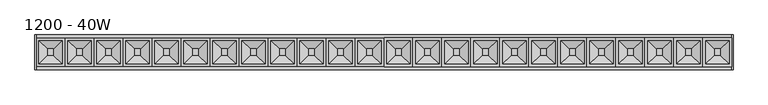
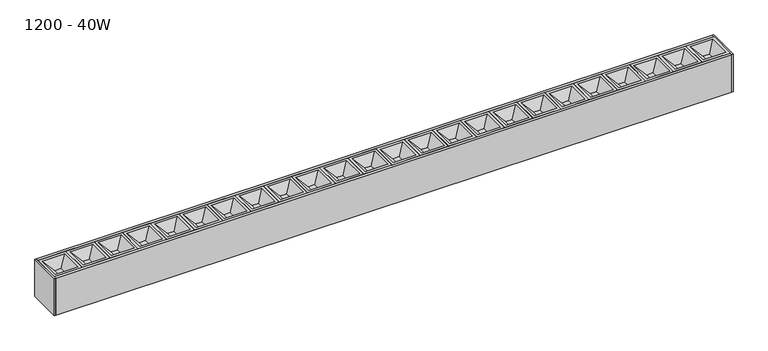
"""IFC4 building model written with IfcOpenShell, lengths in millimetres: light fixture geometry, 1200 - 40W."""

from ifc_helpers import new_model, si_unit, frame, origin, origin_with_axes, place, context, project, spatial, polyline, outline, extrude, faceted_brep, source, transform, mapped, element, save


def light_fixture_1200_40w_1fc2dcb1(model_context):
    return source(origin(), model_context, "Body", "SolidModel", [
        faceted_brep([(600.0, 25.0, 50.0), (600.0, 25.0, 70.0), (600.0, -25.0, 70.0), (600.0, -25.0, 50.0), (595.0, 20.0, 70.0), (580.8578644, 5.8578644, 55.8578644), (580.8578644, -5.8578644, 55.8578644), (595.0, -20.0, 70.0), (550.0, -25.0, 70.0), (550.0, -25.0, 50.0), (569.1421356, -5.8578644, 55.8578644), (555.0, -20.0, 70.0), (550.0, 25.0, 70.0), (550.0, 25.0, 50.0), (569.1421356, 5.8578644, 55.8578644), (555.0, 20.0, 70.0)], [[[0, 1, 2, 3]], [[4, 5, 6, 7]], [[3, 2, 8, 9]], [[7, 6, 10, 11]], [[9, 8, 12, 13]], [[11, 10, 14, 15]], [[1, 12, 8, 2], [7, 11, 15, 4]], [[13, 12, 1, 0]], [[3, 9, 13, 0]], [[5, 14, 10, 6]], [[15, 14, 5, 4]]]),
        faceted_brep([(550.0, 25.0, 50.0), (550.0, 25.0, 70.0), (550.0, -25.0, 70.0), (550.0, -25.0, 50.0), (545.0, 20.0, 70.0), (530.8578644, 5.8578644, 55.8578644), (530.8578644, -5.8578644, 55.8578644), (545.0, -20.0, 70.0), (500.0, -25.0, 70.0), (500.0, -25.0, 50.0), (519.1421356, -5.8578644, 55.8578644), (505.0, -20.0, 70.0), (500.0, 25.0, 70.0), (500.0, 25.0, 50.0), (519.1421356, 5.8578644, 55.8578644), (505.0, 20.0, 70.0)], [[[0, 1, 2, 3]], [[4, 5, 6, 7]], [[3, 2, 8, 9]], [[7, 6, 10, 11]], [[9, 8, 12, 13]], [[11, 10, 14, 15]], [[1, 12, 8, 2], [7, 11, 15, 4]], [[13, 12, 1, 0]], [[3, 9, 13, 0]], [[5, 14, 10, 6]], [[15, 14, 5, 4]]]),
        faceted_brep([(500.0, 25.0, 50.0), (500.0, 25.0, 70.0), (500.0, -25.0, 70.0), (500.0, -25.0, 50.0), (495.0, 20.0, 70.0), (480.8578644, 5.8578644, 55.8578644), (480.8578644, -5.8578644, 55.8578644), (495.0, -20.0, 70.0), (450.0, -25.0, 70.0), (450.0, -25.0, 50.0), (469.1421356, -5.8578644, 55.8578644), (455.0, -20.0, 70.0), (450.0, 25.0, 70.0), (450.0, 25.0, 50.0), (469.1421356, 5.8578644, 55.8578644), (455.0, 20.0, 70.0)], [[[0, 1, 2, 3]], [[4, 5, 6, 7]], [[3, 2, 8, 9]], [[7, 6, 10, 11]], [[9, 8, 12, 13]], [[11, 10, 14, 15]], [[1, 12, 8, 2], [7, 11, 15, 4]], [[13, 12, 1, 0]], [[3, 9, 13, 0]], [[5, 14, 10, 6]], [[15, 14, 5, 4]]]),
        faceted_brep([(450.0, 25.0, 50.0), (450.0, 25.0, 70.0), (450.0, -25.0, 70.0), (450.0, -25.0, 50.0), (445.0, 20.0, 70.0), (430.8578644, 5.8578644, 55.8578644), (430.8578644, -5.8578644, 55.8578644), (445.0, -20.0, 70.0), (400.0, -25.0, 70.0), (400.0, -25.0, 50.0), (419.1421356, -5.8578644, 55.8578644), (405.0, -20.0, 70.0), (400.0, 25.0, 70.0), (400.0, 25.0, 50.0), (419.1421356, 5.8578644, 55.8578644), (405.0, 20.0, 70.0)], [[[0, 1, 2, 3]], [[4, 5, 6, 7]], [[3, 2, 8, 9]], [[7, 6, 10, 11]], [[9, 8, 12, 13]], [[11, 10, 14, 15]], [[1, 12, 8, 2], [7, 11, 15, 4]], [[13, 12, 1, 0]], [[3, 9, 13, 0]], [[5, 14, 10, 6]], [[15, 14, 5, 4]]]),
        faceted_brep([(400.0, 25.0, 50.0), (400.0, 25.0, 70.0), (400.0, -25.0, 70.0), (400.0, -25.0, 50.0), (395.0, 20.0, 70.0), (380.8578644, 5.8578644, 55.8578644), (380.8578644, -5.8578644, 55.8578644), (395.0, -20.0, 70.0), (350.0, -25.0, 70.0), (350.0, -25.0, 50.0), (369.1421356, -5.8578644, 55.8578644), (355.0, -20.0, 70.0), (350.0, 25.0, 70.0), (350.0, 25.0, 50.0), (369.1421356, 5.8578644, 55.8578644), (355.0, 20.0, 70.0)], [[[0, 1, 2, 3]], [[4, 5, 6, 7]], [[3, 2, 8, 9]], [[7, 6, 10, 11]], [[9, 8, 12, 13]], [[11, 10, 14, 15]], [[1, 12, 8, 2], [7, 11, 15, 4]], [[13, 12, 1, 0]], [[3, 9, 13, 0]], [[5, 14, 10, 6]], [[15, 14, 5, 4]]]),
        faceted_brep([(350.0, 25.0, 50.0), (350.0, 25.0, 70.0), (350.0, -25.0, 70.0), (350.0, -25.0, 50.0), (345.0, 20.0, 70.0), (330.8578644, 5.8578644, 55.8578644), (330.8578644, -5.8578644, 55.8578644), (345.0, -20.0, 70.0), (300.0, -25.0, 70.0), (300.0, -25.0, 50.0), (319.1421356, -5.8578644, 55.8578644), (305.0, -20.0, 70.0), (300.0, 25.0, 70.0), (300.0, 25.0, 50.0), (319.1421356, 5.8578644, 55.8578644), (305.0, 20.0, 70.0)], [[[0, 1, 2, 3]], [[4, 5, 6, 7]], [[3, 2, 8, 9]], [[7, 6, 10, 11]], [[9, 8, 12, 13]], [[11, 10, 14, 15]], [[1, 12, 8, 2], [7, 11, 15, 4]], [[13, 12, 1, 0]], [[3, 9, 13, 0]], [[5, 14, 10, 6]], [[15, 14, 5, 4]]]),
        faceted_brep([(300.0, 25.0, 50.0), (300.0, 25.0, 70.0), (300.0, -25.0, 70.0), (300.0, -25.0, 50.0), (295.0, 20.0, 70.0), (280.8578644, 5.8578644, 55.8578644), (280.8578644, -5.8578644, 55.8578644), (295.0, -20.0, 70.0), (250.0, -25.0, 70.0), (250.0, -25.0, 50.0), (269.1421356, -5.8578644, 55.8578644), (255.0, -20.0, 70.0), (250.0, 25.0, 70.0), (250.0, 25.0, 50.0), (269.1421356, 5.8578644, 55.8578644), (255.0, 20.0, 70.0)], [[[0, 1, 2, 3]], [[4, 5, 6, 7]], [[3, 2, 8, 9]], [[7, 6, 10, 11]], [[9, 8, 12, 13]], [[11, 10, 14, 15]], [[1, 12, 8, 2], [7, 11, 15, 4]], [[13, 12, 1, 0]], [[3, 9, 13, 0]], [[5, 14, 10, 6]], [[15, 14, 5, 4]]]),
        faceted_brep([(250.0, 25.0, 50.0), (250.0, 25.0, 70.0), (250.0, -25.0, 70.0), (250.0, -25.0, 50.0), (245.0, 20.0, 70.0), (230.8578644, 5.8578644, 55.8578644), (230.8578644, -5.8578644, 55.8578644), (245.0, -20.0, 70.0), (200.0, -25.0, 70.0), (200.0, -25.0, 50.0), (219.1421356, -5.8578644, 55.8578644), (205.0, -20.0, 70.0), (200.0, 25.0, 70.0), (200.0, 25.0, 50.0), (219.1421356, 5.8578644, 55.8578644), (205.0, 20.0, 70.0)], [[[0, 1, 2, 3]], [[4, 5, 6, 7]], [[3, 2, 8, 9]], [[7, 6, 10, 11]], [[9, 8, 12, 13]], [[11, 10, 14, 15]], [[1, 12, 8, 2], [7, 11, 15, 4]], [[13, 12, 1, 0]], [[3, 9, 13, 0]], [[5, 14, 10, 6]], [[15, 14, 5, 4]]]),
        faceted_brep([(200.0, 25.0, 50.0), (200.0, 25.0, 70.0), (200.0, -25.0, 70.0), (200.0, -25.0, 50.0), (195.0, 20.0, 70.0), (180.8578644, 5.8578644, 55.8578644), (180.8578644, -5.8578644, 55.8578644), (195.0, -20.0, 70.0), (150.0, -25.0, 70.0), (150.0, -25.0, 50.0), (169.1421356, -5.8578644, 55.8578644), (155.0, -20.0, 70.0), (150.0, 25.0, 70.0), (150.0, 25.0, 50.0), (169.1421356, 5.8578644, 55.8578644), (155.0, 20.0, 70.0)], [[[0, 1, 2, 3]], [[4, 5, 6, 7]], [[3, 2, 8, 9]], [[7, 6, 10, 11]], [[9, 8, 12, 13]], [[11, 10, 14, 15]], [[1, 12, 8, 2], [7, 11, 15, 4]], [[13, 12, 1, 0]], [[3, 9, 13, 0]], [[5, 14, 10, 6]], [[15, 14, 5, 4]]]),
        faceted_brep([(150.0, 25.0, 50.0), (150.0, 25.0, 70.0), (150.0, -25.0, 70.0), (150.0, -25.0, 50.0), (145.0, 20.0, 70.0), (130.8578644, 5.8578644, 55.8578644), (130.8578644, -5.8578644, 55.8578644), (145.0, -20.0, 70.0), (100.0, -25.0, 70.0), (100.0, -25.0, 50.0), (119.1421356, -5.8578644, 55.8578644), (105.0, -20.0, 70.0), (100.0, 25.0, 70.0), (100.0, 25.0, 50.0), (119.1421356, 5.8578644, 55.8578644), (105.0, 20.0, 70.0)], [[[0, 1, 2, 3]], [[4, 5, 6, 7]], [[3, 2, 8, 9]], [[7, 6, 10, 11]], [[9, 8, 12, 13]], [[11, 10, 14, 15]], [[1, 12, 8, 2], [7, 11, 15, 4]], [[13, 12, 1, 0]], [[3, 9, 13, 0]], [[5, 14, 10, 6]], [[15, 14, 5, 4]]]),
        faceted_brep([(100.0, 25.0, 50.0), (100.0, 25.0, 70.0), (100.0, -25.0, 70.0), (100.0, -25.0, 50.0), (95.0, 20.0, 70.0), (80.8578644, 5.8578644, 55.8578644), (80.8578644, -5.8578644, 55.8578644), (95.0, -20.0, 70.0), (50.0, -25.0, 70.0), (50.0, -25.0, 50.0), (69.1421356, -5.8578644, 55.8578644), (55.0, -20.0, 70.0), (50.0, 25.0, 70.0), (50.0, 25.0, 50.0), (69.1421356, 5.8578644, 55.8578644), (55.0, 20.0, 70.0)], [[[0, 1, 2, 3]], [[4, 5, 6, 7]], [[3, 2, 8, 9]], [[7, 6, 10, 11]], [[9, 8, 12, 13]], [[11, 10, 14, 15]], [[1, 12, 8, 2], [7, 11, 15, 4]], [[13, 12, 1, 0]], [[3, 9, 13, 0]], [[5, 14, 10, 6]], [[15, 14, 5, 4]]]),
        faceted_brep([(50.0, 25.0, 50.0), (50.0, 25.0, 70.0), (50.0, -25.0, 70.0), (50.0, -25.0, 50.0), (45.0, 20.0, 70.0), (30.8578644, 5.8578644, 55.8578644), (30.8578644, -5.8578644, 55.8578644), (45.0, -20.0, 70.0), (0.0, -25.0, 70.0), (0.0, -25.0, 50.0), (19.1421356, -5.8578644, 55.8578644), (5.0, -20.0, 70.0), (0.0, 25.0, 70.0), (0.0, 25.0, 50.0), (19.1421356, 5.8578644, 55.8578644), (5.0, 20.0, 70.0)], [[[0, 1, 2, 3]], [[4, 5, 6, 7]], [[3, 2, 8, 9]], [[7, 6, 10, 11]], [[9, 8, 12, 13]], [[11, 10, 14, 15]], [[1, 12, 8, 2], [7, 11, 15, 4]], [[13, 12, 1, 0]], [[3, 9, 13, 0]], [[5, 14, 10, 6]], [[15, 14, 5, 4]]]),
        extrude(outline(polyline([(600.0, -30.0), (600.0, 30.0), (602.0, 30.0), (602.0, -30.0), (600.0, -30.0)])), origin_with_axes(), (0.0, 0.0, 1.0), 70.0),
        extrude(outline(polyline([(-600.0, 30.0), (-600.0, -30.0), (-602.0, -30.0), (-602.0, 30.0), (-600.0, 30.0)])), origin_with_axes(), (0.0, 0.0, 1.0), 70.0),
        extrude(outline(polyline([(-25.0, 70.0), (-25.0, 50.0), (25.0, 50.0), (25.0, 70.0), (30.0, 70.0), (30.0, 0.0), (-30.0, 0.0), (-30.0, 70.0), (-25.0, 70.0)])), frame((-600.0, 0.0, 0.0), z_axis=(1.0, 0.0, 0.0), x_axis=(0.0, 1.0, 0.0)), (0.0, 0.0, 1.0), 1200.0),
        faceted_brep([(0.0, 25.0, 50.0), (0.0, 25.0, 70.0), (0.0, -25.0, 70.0), (0.0, -25.0, 50.0), (-5.0, 20.0, 70.0), (-19.1421356, 5.8578644, 55.8578644), (-19.1421356, -5.8578644, 55.8578644), (-5.0, -20.0, 70.0), (-50.0, -25.0, 70.0), (-50.0, -25.0, 50.0), (-30.8578644, -5.8578644, 55.8578644), (-45.0, -20.0, 70.0), (-50.0, 25.0, 70.0), (-50.0, 25.0, 50.0), (-30.8578644, 5.8578644, 55.8578644), (-45.0, 20.0, 70.0)], [[[0, 1, 2, 3]], [[4, 5, 6, 7]], [[3, 2, 8, 9]], [[7, 6, 10, 11]], [[9, 8, 12, 13]], [[11, 10, 14, 15]], [[1, 12, 8, 2], [7, 11, 15, 4]], [[13, 12, 1, 0]], [[3, 9, 13, 0]], [[5, 14, 10, 6]], [[15, 14, 5, 4]]]),
        faceted_brep([(-50.0, 25.0, 50.0), (-50.0, 25.0, 70.0), (-50.0, -25.0, 70.0), (-50.0, -25.0, 50.0), (-55.0, 20.0, 70.0), (-69.1421356, 5.8578644, 55.8578644), (-69.1421356, -5.8578644, 55.8578644), (-55.0, -20.0, 70.0), (-100.0, -25.0, 70.0), (-100.0, -25.0, 50.0), (-80.8578644, -5.8578644, 55.8578644), (-95.0, -20.0, 70.0), (-100.0, 25.0, 70.0), (-100.0, 25.0, 50.0), (-80.8578644, 5.8578644, 55.8578644), (-95.0, 20.0, 70.0)], [[[0, 1, 2, 3]], [[4, 5, 6, 7]], [[3, 2, 8, 9]], [[7, 6, 10, 11]], [[9, 8, 12, 13]], [[11, 10, 14, 15]], [[1, 12, 8, 2], [7, 11, 15, 4]], [[13, 12, 1, 0]], [[3, 9, 13, 0]], [[5, 14, 10, 6]], [[15, 14, 5, 4]]]),
        faceted_brep([(-100.0, 25.0, 50.0), (-100.0, 25.0, 70.0), (-100.0, -25.0, 70.0), (-100.0, -25.0, 50.0), (-105.0, 20.0, 70.0), (-119.1421356, 5.8578644, 55.8578644), (-119.1421356, -5.8578644, 55.8578644), (-105.0, -20.0, 70.0), (-150.0, -25.0, 70.0), (-150.0, -25.0, 50.0), (-130.8578644, -5.8578644, 55.8578644), (-145.0, -20.0, 70.0), (-150.0, 25.0, 70.0), (-150.0, 25.0, 50.0), (-130.8578644, 5.8578644, 55.8578644), (-145.0, 20.0, 70.0)], [[[0, 1, 2, 3]], [[4, 5, 6, 7]], [[3, 2, 8, 9]], [[7, 6, 10, 11]], [[9, 8, 12, 13]], [[11, 10, 14, 15]], [[1, 12, 8, 2], [7, 11, 15, 4]], [[13, 12, 1, 0]], [[3, 9, 13, 0]], [[5, 14, 10, 6]], [[15, 14, 5, 4]]]),
        faceted_brep([(-150.0, 25.0, 50.0), (-150.0, 25.0, 70.0), (-150.0, -25.0, 70.0), (-150.0, -25.0, 50.0), (-155.0, 20.0, 70.0), (-169.1421356, 5.8578644, 55.8578644), (-169.1421356, -5.8578644, 55.8578644), (-155.0, -20.0, 70.0), (-200.0, -25.0, 70.0), (-200.0, -25.0, 50.0), (-180.8578644, -5.8578644, 55.8578644), (-195.0, -20.0, 70.0), (-200.0, 25.0, 70.0), (-200.0, 25.0, 50.0), (-180.8578644, 5.8578644, 55.8578644), (-195.0, 20.0, 70.0)], [[[0, 1, 2, 3]], [[4, 5, 6, 7]], [[3, 2, 8, 9]], [[7, 6, 10, 11]], [[9, 8, 12, 13]], [[11, 10, 14, 15]], [[1, 12, 8, 2], [7, 11, 15, 4]], [[13, 12, 1, 0]], [[3, 9, 13, 0]], [[5, 14, 10, 6]], [[15, 14, 5, 4]]]),
        faceted_brep([(-200.0, 25.0, 50.0), (-200.0, 25.0, 70.0), (-200.0, -25.0, 70.0), (-200.0, -25.0, 50.0), (-205.0, 20.0, 70.0), (-219.1421356, 5.8578644, 55.8578644), (-219.1421356, -5.8578644, 55.8578644), (-205.0, -20.0, 70.0), (-250.0, -25.0, 70.0), (-250.0, -25.0, 50.0), (-230.8578644, -5.8578644, 55.8578644), (-245.0, -20.0, 70.0), (-250.0, 25.0, 70.0), (-250.0, 25.0, 50.0), (-230.8578644, 5.8578644, 55.8578644), (-245.0, 20.0, 70.0)], [[[0, 1, 2, 3]], [[4, 5, 6, 7]], [[3, 2, 8, 9]], [[7, 6, 10, 11]], [[9, 8, 12, 13]], [[11, 10, 14, 15]], [[1, 12, 8, 2], [7, 11, 15, 4]], [[13, 12, 1, 0]], [[3, 9, 13, 0]], [[5, 14, 10, 6]], [[15, 14, 5, 4]]]),
        faceted_brep([(-250.0, 25.0, 50.0), (-250.0, 25.0, 70.0), (-250.0, -25.0, 70.0), (-250.0, -25.0, 50.0), (-255.0, 20.0, 70.0), (-269.1421356, 5.8578644, 55.8578644), (-269.1421356, -5.8578644, 55.8578644), (-255.0, -20.0, 70.0), (-300.0, -25.0, 70.0), (-300.0, -25.0, 50.0), (-280.8578644, -5.8578644, 55.8578644), (-295.0, -20.0, 70.0), (-300.0, 25.0, 70.0), (-300.0, 25.0, 50.0), (-280.8578644, 5.8578644, 55.8578644), (-295.0, 20.0, 70.0)], [[[0, 1, 2, 3]], [[4, 5, 6, 7]], [[3, 2, 8, 9]], [[7, 6, 10, 11]], [[9, 8, 12, 13]], [[11, 10, 14, 15]], [[1, 12, 8, 2], [7, 11, 15, 4]], [[13, 12, 1, 0]], [[3, 9, 13, 0]], [[5, 14, 10, 6]], [[15, 14, 5, 4]]]),
        faceted_brep([(-300.0, 25.0, 50.0), (-300.0, 25.0, 70.0), (-300.0, -25.0, 70.0), (-300.0, -25.0, 50.0), (-305.0, 20.0, 70.0), (-319.1421356, 5.8578644, 55.8578644), (-319.1421356, -5.8578644, 55.8578644), (-305.0, -20.0, 70.0), (-350.0, -25.0, 70.0), (-350.0, -25.0, 50.0), (-330.8578644, -5.8578644, 55.8578644), (-345.0, -20.0, 70.0), (-350.0, 25.0, 70.0), (-350.0, 25.0, 50.0), (-330.8578644, 5.8578644, 55.8578644), (-345.0, 20.0, 70.0)], [[[0, 1, 2, 3]], [[4, 5, 6, 7]], [[3, 2, 8, 9]], [[7, 6, 10, 11]], [[9, 8, 12, 13]], [[11, 10, 14, 15]], [[1, 12, 8, 2], [7, 11, 15, 4]], [[13, 12, 1, 0]], [[3, 9, 13, 0]], [[5, 14, 10, 6]], [[15, 14, 5, 4]]]),
        faceted_brep([(-350.0, 25.0, 50.0), (-350.0, 25.0, 70.0), (-350.0, -25.0, 70.0), (-350.0, -25.0, 50.0), (-355.0, 20.0, 70.0), (-369.1421356, 5.8578644, 55.8578644), (-369.1421356, -5.8578644, 55.8578644), (-355.0, -20.0, 70.0), (-400.0, -25.0, 70.0), (-400.0, -25.0, 50.0), (-380.8578644, -5.8578644, 55.8578644), (-395.0, -20.0, 70.0), (-400.0, 25.0, 70.0), (-400.0, 25.0, 50.0), (-380.8578644, 5.8578644, 55.8578644), (-395.0, 20.0, 70.0)], [[[0, 1, 2, 3]], [[4, 5, 6, 7]], [[3, 2, 8, 9]], [[7, 6, 10, 11]], [[9, 8, 12, 13]], [[11, 10, 14, 15]], [[1, 12, 8, 2], [7, 11, 15, 4]], [[13, 12, 1, 0]], [[3, 9, 13, 0]], [[5, 14, 10, 6]], [[15, 14, 5, 4]]]),
        faceted_brep([(-400.0, 25.0, 50.0), (-400.0, 25.0, 70.0), (-400.0, -25.0, 70.0), (-400.0, -25.0, 50.0), (-405.0, 20.0, 70.0), (-419.1421356, 5.8578644, 55.8578644), (-419.1421356, -5.8578644, 55.8578644), (-405.0, -20.0, 70.0), (-450.0, -25.0, 70.0), (-450.0, -25.0, 50.0), (-430.8578644, -5.8578644, 55.8578644), (-445.0, -20.0, 70.0), (-450.0, 25.0, 70.0), (-450.0, 25.0, 50.0), (-430.8578644, 5.8578644, 55.8578644), (-445.0, 20.0, 70.0)], [[[0, 1, 2, 3]], [[4, 5, 6, 7]], [[3, 2, 8, 9]], [[7, 6, 10, 11]], [[9, 8, 12, 13]], [[11, 10, 14, 15]], [[1, 12, 8, 2], [7, 11, 15, 4]], [[13, 12, 1, 0]], [[3, 9, 13, 0]], [[5, 14, 10, 6]], [[15, 14, 5, 4]]]),
        faceted_brep([(-450.0, 25.0, 50.0), (-450.0, 25.0, 70.0), (-450.0, -25.0, 70.0), (-450.0, -25.0, 50.0), (-455.0, 20.0, 70.0), (-469.1421356, 5.8578644, 55.8578644), (-469.1421356, -5.8578644, 55.8578644), (-455.0, -20.0, 70.0), (-500.0, -25.0, 70.0), (-500.0, -25.0, 50.0), (-480.8578644, -5.8578644, 55.8578644), (-495.0, -20.0, 70.0), (-500.0, 25.0, 70.0), (-500.0, 25.0, 50.0), (-480.8578644, 5.8578644, 55.8578644), (-495.0, 20.0, 70.0)], [[[0, 1, 2, 3]], [[4, 5, 6, 7]], [[3, 2, 8, 9]], [[7, 6, 10, 11]], [[9, 8, 12, 13]], [[11, 10, 14, 15]], [[1, 12, 8, 2], [7, 11, 15, 4]], [[13, 12, 1, 0]], [[3, 9, 13, 0]], [[5, 14, 10, 6]], [[15, 14, 5, 4]]]),
        faceted_brep([(-500.0, 25.0, 50.0), (-500.0, 25.0, 70.0), (-500.0, -25.0, 70.0), (-500.0, -25.0, 50.0), (-505.0, 20.0, 70.0), (-519.1421356, 5.8578644, 55.8578644), (-519.1421356, -5.8578644, 55.8578644), (-505.0, -20.0, 70.0), (-550.0, -25.0, 70.0), (-550.0, -25.0, 50.0), (-530.8578644, -5.8578644, 55.8578644), (-545.0, -20.0, 70.0), (-550.0, 25.0, 70.0), (-550.0, 25.0, 50.0), (-530.8578644, 5.8578644, 55.8578644), (-545.0, 20.0, 70.0)], [[[0, 1, 2, 3]], [[4, 5, 6, 7]], [[3, 2, 8, 9]], [[7, 6, 10, 11]], [[9, 8, 12, 13]], [[11, 10, 14, 15]], [[1, 12, 8, 2], [7, 11, 15, 4]], [[13, 12, 1, 0]], [[3, 9, 13, 0]], [[5, 14, 10, 6]], [[15, 14, 5, 4]]]),
        faceted_brep([(-550.0, 25.0, 50.0), (-550.0, 25.0, 70.0), (-550.0, -25.0, 70.0), (-550.0, -25.0, 50.0), (-555.0, 20.0, 70.0), (-569.1421356, 5.8578644, 55.8578644), (-569.1421356, -5.8578644, 55.8578644), (-555.0, -20.0, 70.0), (-600.0, -25.0, 70.0), (-600.0, -25.0, 50.0), (-580.8578644, -5.8578644, 55.8578644), (-595.0, -20.0, 70.0), (-600.0, 25.0, 70.0), (-600.0, 25.0, 50.0), (-580.8578644, 5.8578644, 55.8578644), (-595.0, 20.0, 70.0)], [[[0, 1, 2, 3]], [[4, 5, 6, 7]], [[3, 2, 8, 9]], [[7, 6, 10, 11]], [[9, 8, 12, 13]], [[11, 10, 14, 15]], [[1, 12, 8, 2], [7, 11, 15, 4]], [[13, 12, 1, 0]], [[3, 9, 13, 0]], [[5, 14, 10, 6]], [[15, 14, 5, 4]]]),
    ])


if __name__ == "__main__":
    model = new_model("IFC4")
    model_context = context("Model", 3, world=origin())
    ifc_project = project(units=[si_unit("LENGTHUNIT", "METRE", prefix="MILLI")], contexts=[model_context])
    site = spatial("IfcSite", under=ifc_project)
    building = spatial("IfcBuilding", under=site)
    placement = place(None, origin())
    light_fixture_1200_40w_shape = light_fixture_1200_40w_1fc2dcb1(model_context)
    element("IfcLightFixture", 1, ObjectType="1200 - 40W", at=placement, inside=building, context=model_context, shape_type="MappedRepresentation", body=[
        mapped(light_fixture_1200_40w_shape, transform((0.0, 0.0, 0.0), x_axis=(1.0, 0.0, 0.0), y_axis=(0.0, 1.0, 0.0), z_axis=(0.0, 0.0, 1.0))),
    ])
    save(model, "model.ifc")
